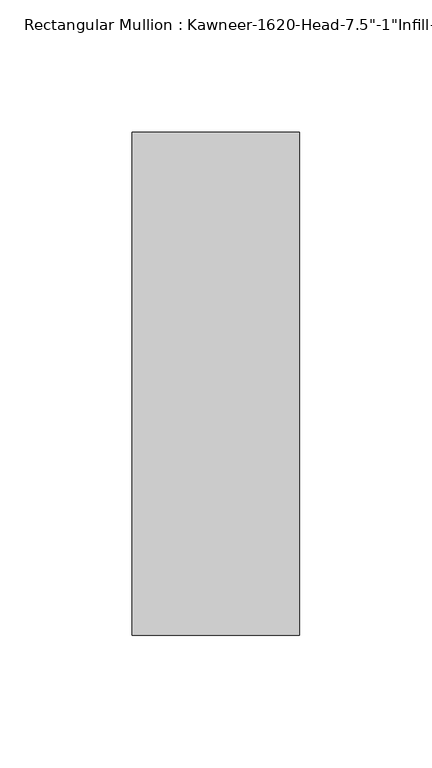
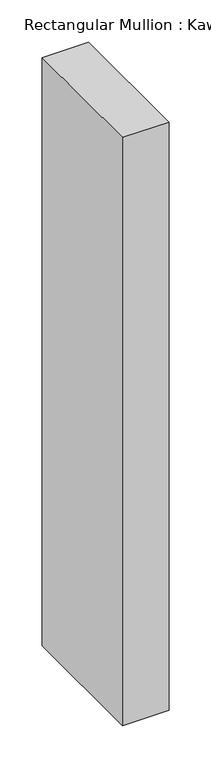
"""IFC4 building model written with IfcOpenShell, lengths in millimetres: member geometry."""

import ifcopenshell
import ifcopenshell.guid

model = None  # the IFC model being written
_history = None  # IfcOwnerHistory: only IFC2X3 demands one
_inside = {}  # id of a spatial element -> (the spatial element, [elements in it])
_under = {}  # id of a project, library or spatial element -> (it, [spatial elements below it])
_declared = {}  # id of a project -> (the project, [libraries it declares])
_typed = {}  # id of a type object -> (the type object, [elements of that type])
_made_of = {}  # id of a material, layer set ... -> (it, [elements and type objects made of it])


def new_model(schema):
    """Start an empty IFC model of exactly this schema.

    Asked for "IFC4X3", IfcOpenShell would pick the latest addendum, in which some entities
    have other attributes; the version numbers below select the first issue.
    IFC2X3 requires an IfcOwnerHistory on every rooted entity: one is made here for all.
    """
    global model, _history
    if schema == "IFC4X3":
        model = ifcopenshell.file(schema_version=(4, 3, 0, 0))
    else:
        model = ifcopenshell.file(schema=schema)
    _inside.clear()
    _under.clear()
    _declared.clear()
    _typed.clear()
    _made_of.clear()
    _history = None
    if model.schema == "IFC2X3":
        org = make("IfcOrganization", Name="unknown")
        user = make(
            "IfcPersonAndOrganization",
            ThePerson=make("IfcPerson", FamilyName="unknown"),
            TheOrganization=org,
        )
        app = make(
            "IfcApplication",
            ApplicationDeveloper=org,
            Version="unknown",
            ApplicationFullName="unknown",
            ApplicationIdentifier="unknown",
        )
        _history = make(
            "IfcOwnerHistory",
            OwningUser=user,
            OwningApplication=app,
            ChangeAction="ADDED",
            CreationDate=0,
        )
    return model


def make(cls, **values):
    """One entity of the class cls with the attributes given. An attribute that is None is left unset."""
    return model.create_entity(
        cls, **{name: value for name, value in values.items() if value is not None}
    )


def rooted(cls, **values):
    """An entity with a GlobalId (a new one), such as an element, a storey or a relation."""
    return make(cls, GlobalId=ifcopenshell.guid.new(), OwnerHistory=_history, **values)


def si_unit(unit_type, name, prefix=None):
    """IfcSIUnit, for example si_unit("LENGTHUNIT", "METRE", prefix="MILLI")."""
    return make("IfcSIUnit", UnitType=unit_type, Prefix=prefix, Name=name)


def assignment(units):
    """IfcUnitAssignment: the units of a project."""
    return None if units is None else make("IfcUnitAssignment", Units=units)


def point(xyz):
    """IfcCartesianPoint."""
    return None if xyz is None else make("IfcCartesianPoint", Coordinates=xyz)


def direction(xyz):
    """IfcDirection."""
    return None if xyz is None else make("IfcDirection", DirectionRatios=xyz)


def frame(location, z_axis=None, x_axis=None):
    """IfcAxis2Placement3D, a coordinate frame: its origin and axes. An axis left out is left unset."""
    return make(
        "IfcAxis2Placement3D",
        Location=point(location),
        Axis=direction(z_axis),
        RefDirection=direction(x_axis),
    )


def origin():
    """The frame at (0, 0, 0) with its axes left unset."""
    return frame((0.0, 0.0, 0.0))


def place(relative_to, where):
    """IfcLocalPlacement: puts the frame where relative to a parent placement (None: the world)."""
    return make(
        "IfcLocalPlacement", PlacementRelTo=relative_to, RelativePlacement=where
    )


def context(
    kind, dimensions, precision=None, world=None, true_north=None, identifier=None
):
    """IfcGeometricRepresentationContext, for example the 3D "Model" context."""
    return make(
        "IfcGeometricRepresentationContext",
        ContextIdentifier=identifier,
        ContextType=kind,
        CoordinateSpaceDimension=dimensions,
        Precision=precision,
        WorldCoordinateSystem=world,
        TrueNorth=true_north,
    )


def project(units=None, contexts=None):
    """IfcProject with its units and contexts."""
    return rooted(
        "IfcProject",
        Name="project",
        RepresentationContexts=contexts,
        UnitsInContext=assignment(units),
    )


def spatial(cls, under=None, at=None, **own):
    """A site, building, storey or space (cls), placed at a placement, below another one or the project."""
    s = rooted(cls, ObjectPlacement=at, **own)
    if under is not None:
        _under.setdefault(under.id(), (under, []))[1].append(s)
    return s


def polyline(points):
    """IfcPolyline through the points."""
    return make("IfcPolyline", Points=[point(p) for p in points])


def outline(outer, holes=None, kind="AREA"):
    """IfcArbitraryClosedProfileDef: a profile drawn as a closed curve; with holes, ...WithVoids."""
    if holes is None:
        return make("IfcArbitraryClosedProfileDef", ProfileType=kind, OuterCurve=outer)
    return make(
        "IfcArbitraryProfileDefWithVoids",
        ProfileType=kind,
        OuterCurve=outer,
        InnerCurves=holes,
    )


def extrude(swept, where, along, depth):
    """IfcExtrudedAreaSolid: the profile swept, set in the frame where, extruded along a direction by depth."""
    return make(
        "IfcExtrudedAreaSolid",
        SweptArea=swept,
        Position=where,
        ExtrudedDirection=direction(along),
        Depth=depth,
    )


def shape(context_of_items, identifier, shape_type, items):
    """IfcShapeRepresentation: the items that make up one representation, for example the "Body"."""
    return make(
        "IfcShapeRepresentation",
        ContextOfItems=context_of_items,
        RepresentationIdentifier=identifier,
        RepresentationType=shape_type,
        Items=items,
    )


def source(mapping_origin, context_of_items, identifier, shape_type, items):
    """IfcRepresentationMap: a shape defined once, which mapped items show again and again."""
    return make(
        "IfcRepresentationMap",
        MappingOrigin=mapping_origin,
        MappedRepresentation=shape(context_of_items, identifier, shape_type, items),
    )


def transform(
    local_origin,
    x_axis=None,
    y_axis=None,
    z_axis=None,
    scale=None,
    scale2=None,
    scale3=None,
    uniform=True,
):
    """IfcCartesianTransformationOperator3D, or its non-uniform kind. x_axis, y_axis, z_axis: its Axis1, 2, 3."""
    if uniform:
        return make(
            "IfcCartesianTransformationOperator3D",
            Axis1=direction(x_axis),
            Axis2=direction(y_axis),
            LocalOrigin=point(local_origin),
            Scale=scale,
            Axis3=direction(z_axis),
        )
    return make(
        "IfcCartesianTransformationOperator3DnonUniform",
        Axis1=direction(x_axis),
        Axis2=direction(y_axis),
        LocalOrigin=point(local_origin),
        Scale=scale,
        Axis3=direction(z_axis),
        Scale2=scale2,
        Scale3=scale3,
    )


def mapped(mapping_source, mapping_target):
    """IfcMappedItem: shows the shape of a source again, moved by a transform."""
    return make(
        "IfcMappedItem", MappingSource=mapping_source, MappingTarget=mapping_target
    )


def made_of(thing, what):
    """Note that an element or type object is made of a material, layer set ...; save() writes the relation."""
    if what is not None:
        _made_of.setdefault(what.id(), (what, []))[1].append(thing)
    return thing


def element(
    cls,
    number,
    at=None,
    inside=None,
    cuts=None,
    type_object=None,
    material=None,
    context=None,
    identifier="Body",
    shape_type=None,
    held_by="IfcProductDefinitionShape",
    body=None,
    shapes=None,
    **own,
):
    """One element of the class cls, such as IfcWall. Its Tag is "e" and its number.

    at: its placement. inside: the storey or other place that contains it. cuts: it is an
    opening in that element (IfcRelVoidsElement). A single representation is given by context,
    identifier, shape_type and body (its items); several are given by shapes. held_by: the class
    of the entity that holds the representations. save() writes the other relations.
    """
    e = rooted(cls, Tag="e%d" % number, ObjectPlacement=at, **own)
    if body is not None:
        shapes = [shape(context, identifier, shape_type, body)]
    if shapes is not None:
        e.Representation = make(held_by, Representations=shapes)
    if inside is not None:
        _inside.setdefault(inside.id(), (inside, []))[1].append(e)
    if cuts is not None:
        rooted(
            "IfcRelVoidsElement", RelatingBuildingElement=cuts, RelatedOpeningElement=e
        )
    if type_object is not None:
        _typed.setdefault(type_object.id(), (type_object, []))[1].append(e)
    return made_of(e, material)


def aggregate(whole, parts):
    """IfcRelAggregates: a whole, such as a stair, and the parts it consists of."""
    return rooted("IfcRelAggregates", RelatingObject=whole, RelatedObjects=parts)


def save(model, path):
    """Write the relations noted so far, then the file.

    IfcRelAggregates (storeys below a building ...), IfcRelContainedInSpatialStructure (elements
    in a storey), IfcRelDefinesByType, IfcRelAssociatesMaterial and IfcRelDeclares: one each for
    every whole, place, type object, material and project.
    """
    for whole, parts in _under.values():
        aggregate(whole, parts)
    for where, things in _inside.values():
        rooted(
            "IfcRelContainedInSpatialStructure",
            RelatedElements=things,
            RelatingStructure=where,
        )
    for kind, things in _typed.values():
        rooted("IfcRelDefinesByType", RelatedObjects=things, RelatingType=kind)
    for what, things in _made_of.values():
        rooted("IfcRelAssociatesMaterial", RelatedObjects=things, RelatingMaterial=what)
    for by, libraries in _declared.values():
        rooted("IfcRelDeclares", RelatingContext=by, RelatedDefinitions=libraries)
    model.write(path)


def member_3e61d4cf(model_context):
    return source(origin(), model_context, "Body", "SweptSolid", [
        extrude(outline(polyline([(-22.225, 38.1), (41.275, 38.1), (41.275, -152.4), (-22.225, -152.4), (-22.225, 38.1)])), frame((0.0, 0.0, -850.9), z_axis=(0.0, 0.0, 1.0), x_axis=(1.0, 0.0, 0.0)), (0.0, 0.0, 1.0), 850.9),
    ])


if __name__ == "__main__":
    model = new_model("IFC4")
    model_context = context("Model", 3, world=origin())
    ifc_project = project(units=[si_unit("LENGTHUNIT", "METRE", prefix="MILLI")], contexts=[model_context])
    site = spatial("IfcSite", under=ifc_project)
    building = spatial("IfcBuilding", under=site)
    placement = place(None, origin())
    member_shape = member_3e61d4cf(model_context)
    element("IfcMember", 1, ObjectType="Rectangular Mullion : Kawneer-1620-Head-7.5\"-1\"Infill-1A", at=placement, inside=building, context=model_context, shape_type="MappedRepresentation", body=[
        mapped(member_shape, transform((0.0, 0.0, 0.0), x_axis=(1.0, 0.0, 0.0), y_axis=(0.0, 1.0, 0.0), z_axis=(0.0, 0.0, 1.0))),
    ])
    save(model, "model.ifc")
